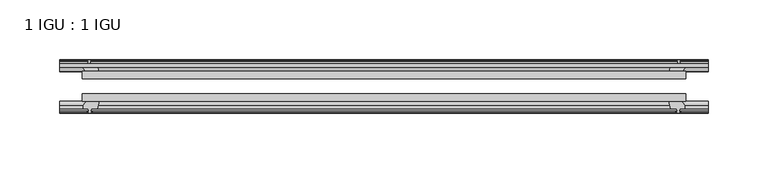
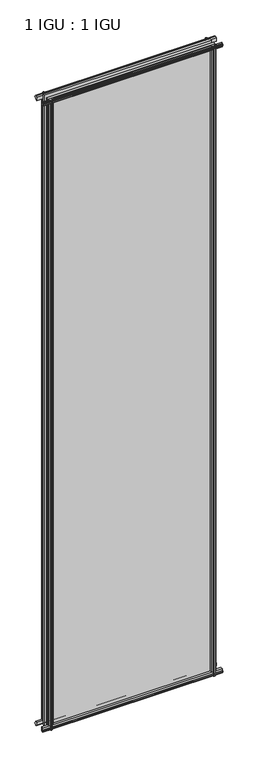
"""IFC4 building model written with IfcOpenShell, lengths in millimetres: plate geometry, 1 IGU : 1 IGU."""

from ifc_helpers import new_model, si_unit, frame, origin, place, context, project, spatial, polyline, outline, extrude, source, transform, mapped, element, save


def plate_1_igu_1_igu_2dbe49f6(model_context):
    return source(origin(), model_context, "Body", "SweptSolid", [
        extrude(outline(polyline([(-253.5349802, -38.6468937), (253.5349802, -38.6468937), (253.5349802, -44.9460938), (-253.5349802, -44.9460938), (-253.5349802, -38.6468937)])), frame((0.0, 0.0, -12.7), z_axis=(0.0, 0.0, 1.0), x_axis=(1.0, 0.0, 0.0)), (0.0, 0.0, 1.0), 2019.2872996),
        extrude(outline(polyline([(-253.5349802, -19.5460937), (253.5349802, -19.5460937), (253.5349802, -25.8960938), (-253.5349802, -25.8960938), (-253.5349802, -19.5460937)])), frame((0.0, 0.0, -12.7), z_axis=(0.0, 0.0, 1.0), x_axis=(1.0, 0.0, 0.0)), (0.0, 0.0, 1.0), 2019.2872996),
        extrude(outline(polyline([(-44.9460937, 1.7177181), (-44.9460937, -9.1036578), (-48.3496937, -11.938), (-51.2960937, -11.938), (-51.2960937, -7.493), (-53.6762907, -7.112), (-53.2163575, -8.5275291), (-54.0175717, -8.5275291), (-54.7250937, -6.35), (-54.0175717, -4.1724709), (-53.2163575, -4.1724709), (-53.6762907, -5.588), (-51.2960937, -5.207), (-51.2960937, 0.0), (-44.9460937, 1.7177181)])), frame((-272.5849802, 0.0, 0.0), z_axis=(1.0, 0.0, 0.0), x_axis=(0.0, 1.0, 0.0)), (0.0, 0.0, 1.0), 545.1699604),
        extrude(outline(polyline([(-13.1960937, -12.4587), (-16.1424937, -12.4587), (-19.5460937, -9.6243578), (-19.5460937, 1.1970181), (-13.1960937, -0.5207), (-13.1960937, -5.7277), (-10.8158968, -6.1087), (-11.27583, -4.6931709), (-10.4746158, -4.6931709), (-9.7670937, -6.8707), (-10.4746158, -9.0482291), (-11.27583, -9.0482291), (-10.8158968, -7.6327), (-13.1960937, -8.0137), (-13.1960937, -12.4587)])), frame((-272.5849802, 0.0, 0.0), z_axis=(1.0, 0.0, 0.0), x_axis=(0.0, 1.0, 0.0)), (0.0, 0.0, 1.0), 545.1699604),
        extrude(outline(polyline([(-51.2960937, 2005.8252996), (-48.3496937, 2005.8252996), (-44.9460937, 2002.9909574), (-44.9460937, 1992.1695815), (-51.2960937, 1993.8872996), (-51.2960937, 1999.0942996), (-53.6762907, 1999.4752996), (-53.2163575, 1998.0597705), (-54.0175717, 1998.0597705), (-54.7250937, 2000.2372996), (-54.0175717, 2002.4148286), (-53.2163575, 2002.4148286), (-53.6762907, 2000.9992996), (-51.2960937, 2001.3802996), (-51.2960937, 2005.8252996)])), frame((-272.5849802, 0.0, 0.0), z_axis=(1.0, 0.0, 0.0), x_axis=(0.0, 1.0, 0.0)), (0.0, 0.0, 1.0), 545.1699604),
        extrude(outline(polyline([(-19.5460937, 1992.6902815), (-19.5460937, 2003.5116574), (-16.1424937, 2006.3459996), (-13.1960937, 2006.3459996), (-13.1960937, 2001.9009996), (-10.8158968, 2001.5199996), (-11.27583, 2002.9355286), (-10.4746158, 2002.9355286), (-9.7670937, 2000.7579996), (-10.4746158, 1998.5804705), (-11.27583, 1998.5804705), (-10.8158968, 1999.9959996), (-13.1960937, 1999.6149996), (-13.1960937, 1994.4079996), (-19.5460937, 1992.6902815)])), frame((-272.5849802, 0.0, 0.0), z_axis=(1.0, 0.0, 0.0), x_axis=(0.0, 1.0, 0.0)), (0.0, 0.0, 1.0), 545.1699604),
        extrude(outline(polyline([(239.6379621, -19.5460938), (241.3556802, -13.1960938), (246.5626802, -13.1960938), (246.9436802, -10.8158968), (245.5281511, -11.27583), (245.5281511, -10.4746158), (247.7056802, -9.7670938), (249.8832092, -10.4746158), (249.8832092, -11.27583), (248.4676802, -10.8158968), (248.8486802, -13.1960938), (253.2936802, -13.1960938), (253.2936802, -16.1424938), (250.459338, -19.5460938), (239.6379621, -19.5460938)])), frame((0.0, 0.0, -12.7), z_axis=(0.0, 0.0, 1.0), x_axis=(1.0, 0.0, 0.0)), (0.0, 0.0, 1.0), 2019.2872997),
        extrude(outline(polyline([(239.1172621, -44.9460938), (249.938638, -44.9460938), (252.7729802, -48.3496938), (252.7729802, -51.2960938), (248.3279802, -51.2960938), (247.9469802, -53.6762907), (249.3625092, -53.2163575), (249.3625092, -54.0175717), (247.1849802, -54.7250938), (245.0074511, -54.0175717), (245.0074511, -53.2163575), (246.4229802, -53.6762907), (246.0419802, -51.2960938), (240.8349802, -51.2960938), (239.1172621, -44.9460938)])), frame((0.0, 0.0, -12.7), z_axis=(0.0, 0.0, 1.0), x_axis=(1.0, 0.0, 0.0)), (0.0, 0.0, 1.0), 2019.2872997),
        extrude(outline(polyline([(-247.7056802, -9.7670937), (-245.5281511, -10.4746158), (-245.5281511, -11.27583), (-246.9436802, -10.8158968), (-246.5626802, -13.1960937), (-241.3556802, -13.1960937), (-239.6379621, -19.5460937), (-250.459338, -19.5460937), (-253.2936802, -16.1424937), (-253.2936802, -13.1960937), (-248.8486802, -13.1960937), (-248.4676802, -10.8158968), (-249.8832092, -11.27583), (-249.8832092, -10.4746158), (-247.7056802, -9.7670937)])), frame((0.0, 0.0, -12.7), z_axis=(0.0, 0.0, 1.0), x_axis=(1.0, 0.0, 0.0)), (0.0, 0.0, 1.0), 2019.2872997),
        extrude(outline(polyline([(-252.7729802, -48.3496937), (-249.938638, -44.9460937), (-239.1172621, -44.9460937), (-240.8349802, -51.2960937), (-246.0419802, -51.2960937), (-246.4229802, -53.6762907), (-245.0074511, -53.2163575), (-245.0074511, -54.0175717), (-247.1849802, -54.7250937), (-249.3625092, -54.0175717), (-249.3625092, -53.2163575), (-247.9469802, -53.6762907), (-248.3279802, -51.2960937), (-252.7729802, -51.2960937), (-252.7729802, -48.3496937)])), frame((0.0, 0.0, -12.7), z_axis=(0.0, 0.0, 1.0), x_axis=(1.0, 0.0, 0.0)), (0.0, 0.0, 1.0), 2019.2872997),
    ])


if __name__ == "__main__":
    model = new_model("IFC4")
    model_context = context("Model", 3, world=origin())
    ifc_project = project(units=[si_unit("LENGTHUNIT", "METRE", prefix="MILLI")], contexts=[model_context])
    site = spatial("IfcSite", under=ifc_project)
    building = spatial("IfcBuilding", under=site)
    placement = place(None, origin())
    plate_1_igu_1_igu_shape = plate_1_igu_1_igu_2dbe49f6(model_context)
    element("IfcPlate", 1, ObjectType="1 IGU : 1 IGU", at=placement, inside=building, context=model_context, shape_type="MappedRepresentation", body=[
        mapped(plate_1_igu_1_igu_shape, transform((0.0, 0.0, 0.0), x_axis=(1.0, 0.0, 0.0), y_axis=(0.0, 1.0, 0.0), z_axis=(0.0, 0.0, 1.0))),
    ])
    save(model, "model.ifc")
